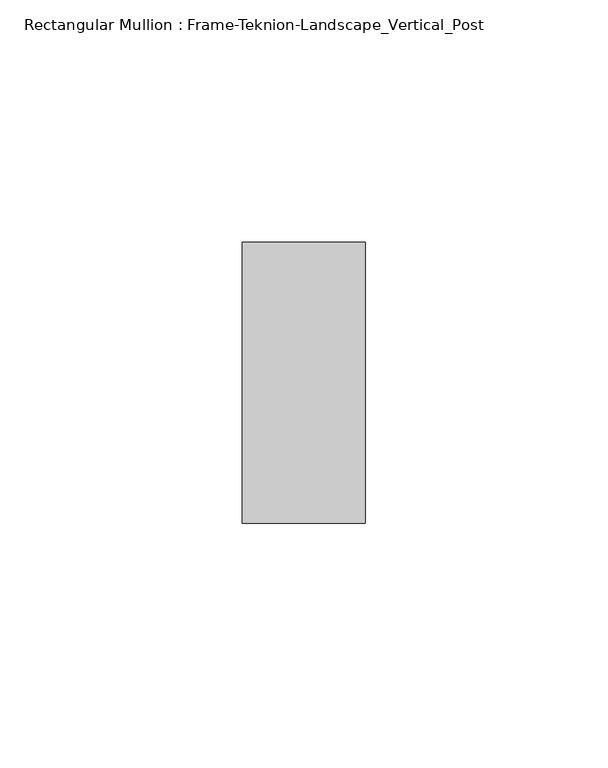
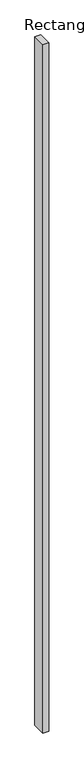
"""IFC4 building model written with IfcOpenShell, lengths in millimetres: member geometry, Rectangular Mullion : Frame-Teknion-Landscape_Vertical_Post."""

from ifc_helpers import new_model, si_unit, frame, origin, place, context, project, spatial, polyline, outline, extrude, source, transform, mapped, element, save


def rectangular_mullion_frame_teknion_landscape_vertical_post_b8ec69d8(model_context):
    return source(origin(), model_context, "Body", "SweptSolid", [
        extrude(outline(polyline([(-12.7, 28.971875), (12.7, 28.971875), (12.7, -28.971875), (-12.7, -28.971875), (-12.7, 28.971875)])), frame((0.0, 0.0, -3048.0), z_axis=(0.0, 0.0, 1.0), x_axis=(1.0, 0.0, 0.0)), (0.0, 0.0, 1.0), 3048.0),
    ])


if __name__ == "__main__":
    model = new_model("IFC4")
    model_context = context("Model", 3, world=origin())
    ifc_project = project(units=[si_unit("LENGTHUNIT", "METRE", prefix="MILLI")], contexts=[model_context])
    site = spatial("IfcSite", under=ifc_project)
    building = spatial("IfcBuilding", under=site)
    placement = place(None, origin())
    rectangular_mullion_frame_teknion_landscape_vertical_post_shape = rectangular_mullion_frame_teknion_landscape_vertical_post_b8ec69d8(model_context)
    element("IfcMember", 1, ObjectType="Rectangular Mullion : Frame-Teknion-Landscape_Vertical_Post", at=placement, inside=building, context=model_context, shape_type="MappedRepresentation", body=[
        mapped(rectangular_mullion_frame_teknion_landscape_vertical_post_shape, transform((0.0, 0.0, 0.0), x_axis=(1.0, 0.0, 0.0), y_axis=(0.0, 1.0, 0.0), z_axis=(0.0, 0.0, 1.0))),
    ])
    save(model, "model.ifc")
